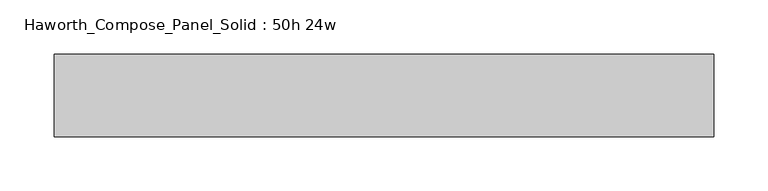
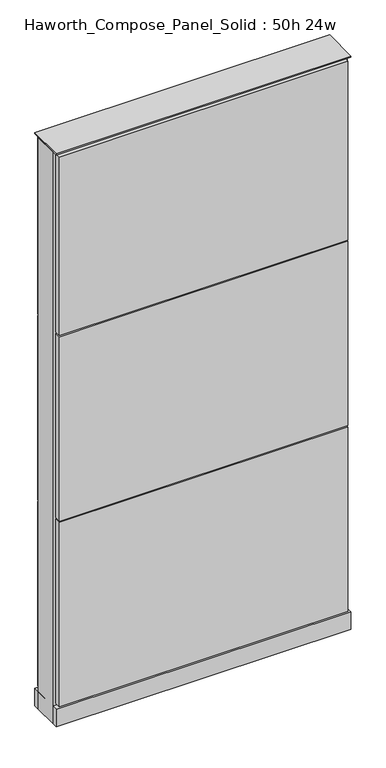
"""IFC4 building model written with IfcOpenShell, lengths in millimetres: furniture geometry, Haworth_Compose_Panel_Solid : 50h 24w."""

from ifc_helpers import new_model, si_unit, point, frame, frame_2d, origin, origin_with_axes, place, context, project, spatial, polyline, circle_curve, trimmed, segment, composite_curve, outline, extrude, source, transform, mapped, element, save


def haworth_compose_panel_solid_50h_24w_819482bc(model_context):
    return source(origin(), model_context, "Body", "SweptSolid", [
        extrude(outline(composite_curve([segment(trimmed(circle_curve(frame_2d((-226.1597098, 0.0)), 12.7), [point((-238.8597098, 0.0))], [point((-213.4597098, 0.0))], False, "CARTESIAN"), True, "CONTINUOUS"), segment(trimmed(circle_curve(frame_2d((-226.1597098, 0.0)), 12.7), [point((-213.4597098, 0.0))], [point((-238.8597098, 0.0))], False, "CARTESIAN"), True, "CONTINUOUS")], self_intersect=False)), origin_with_axes(), (0.0, 0.0, 1.0), 12.7),
        extrude(outline(composite_curve([segment(trimmed(circle_curve(frame_2d((231.0402902, 0.0)), 12.7), [point((218.3402902, 0.0))], [point((243.7402902, 0.0))], False, "CARTESIAN"), True, "CONTINUOUS"), segment(trimmed(circle_curve(frame_2d((231.0402902, 0.0)), 12.7), [point((243.7402902, 0.0))], [point((218.3402902, 0.0))], False, "CARTESIAN"), True, "CONTINUOUS")], self_intersect=False)), origin_with_axes(), (0.0, 0.0, 1.0), 12.7),
        extrude(outline(polyline([(300.8902902, 38.1), (300.8902902, 25.4), (-296.0097098, 25.4), (-296.0097098, 38.1), (300.8902902, 38.1)])), frame((0.0, 0.0, 866.775), z_axis=(0.0, 0.0, 1.0), x_axis=(1.0, 0.0, 0.0)), (0.0, 0.0, 1.0), 390.525),
        extrude(outline(polyline([(300.8902902, 38.1), (300.8902902, 25.4), (-296.0097098, 25.4), (-296.0097098, 38.1), (300.8902902, 38.1)])), frame((0.0, 0.0, 460.375), z_axis=(0.0, 0.0, 1.0), x_axis=(1.0, 0.0, 0.0)), (0.0, 0.0, 1.0), 403.225),
        extrude(outline(polyline([(300.8902902, 38.1), (300.8902902, 25.4), (-296.0097098, 25.4), (-296.0097098, 38.1), (300.8902902, 38.1)])), frame((0.0, 0.0, 53.975), z_axis=(0.0, 0.0, 1.0), x_axis=(1.0, 0.0, 0.0)), (0.0, 0.0, 1.0), 403.225),
        extrude(outline(polyline([(300.8902902, -38.1), (-296.0097098, -38.1), (-296.0097098, -25.4), (300.8902902, -25.4), (300.8902902, -38.1)])), frame((0.0, 0.0, 866.775), z_axis=(0.0, 0.0, 1.0), x_axis=(1.0, 0.0, 0.0)), (0.0, 0.0, 1.0), 390.525),
        extrude(outline(polyline([(300.8902902, -38.1), (-296.0097098, -38.1), (-296.0097098, -25.4), (300.8902902, -25.4), (300.8902902, -38.1)])), frame((0.0, 0.0, 460.375), z_axis=(0.0, 0.0, 1.0), x_axis=(1.0, 0.0, 0.0)), (0.0, 0.0, 1.0), 403.225),
        extrude(outline(polyline([(300.8902902, -38.1), (-296.0097098, -38.1), (-296.0097098, -25.4), (300.8902902, -25.4), (300.8902902, -38.1)])), frame((0.0, 0.0, 53.975), z_axis=(0.0, 0.0, 1.0), x_axis=(1.0, 0.0, 0.0)), (0.0, 0.0, 1.0), 403.225),
        extrude(outline(polyline([(307.2402902, 25.4), (307.2402902, -25.4), (-302.3597098, -25.4), (-302.3597098, 25.4), (307.2402902, 25.4)])), frame((0.0, 0.0, 12.7), z_axis=(0.0, 0.0, 1.0), x_axis=(1.0, 0.0, 0.0)), (0.0, 0.0, 1.0), 1250.95),
        extrude(outline(polyline([(-302.3597098, -38.1), (-302.3597098, 38.1), (307.2402902, 38.1), (307.2402902, -38.1), (-302.3597098, -38.1)])), frame((0.0, 0.0, 12.7), z_axis=(0.0, 0.0, 1.0), x_axis=(1.0, 0.0, 0.0)), (0.0, 0.0, 1.0), 38.1),
        extrude(outline(polyline([(-302.3597098, -38.1), (-302.3597098, 38.1), (307.2402902, 38.1), (307.2402902, -38.1), (-302.3597098, -38.1)])), frame((0.0, 0.0, 1263.65), z_axis=(0.0, 0.0, 1.0), x_axis=(1.0, 0.0, 0.0)), (0.0, 0.0, 1.0), 3.175),
    ])


if __name__ == "__main__":
    model = new_model("IFC4")
    model_context = context("Model", 3, world=origin())
    ifc_project = project(units=[si_unit("LENGTHUNIT", "METRE", prefix="MILLI")], contexts=[model_context])
    site = spatial("IfcSite", under=ifc_project)
    building = spatial("IfcBuilding", under=site)
    placement = place(None, origin())
    haworth_compose_panel_solid_50h_24w_shape = haworth_compose_panel_solid_50h_24w_819482bc(model_context)
    element("IfcFurniture", 1, ObjectType="Haworth_Compose_Panel_Solid : 50h 24w", at=placement, inside=building, context=model_context, shape_type="MappedRepresentation", body=[
        mapped(haworth_compose_panel_solid_50h_24w_shape, transform((0.0, 0.0, 0.0), x_axis=(1.0, 0.0, 0.0), y_axis=(0.0, 1.0, 0.0), z_axis=(0.0, 0.0, 1.0))),
    ])
    save(model, "model.ifc")
